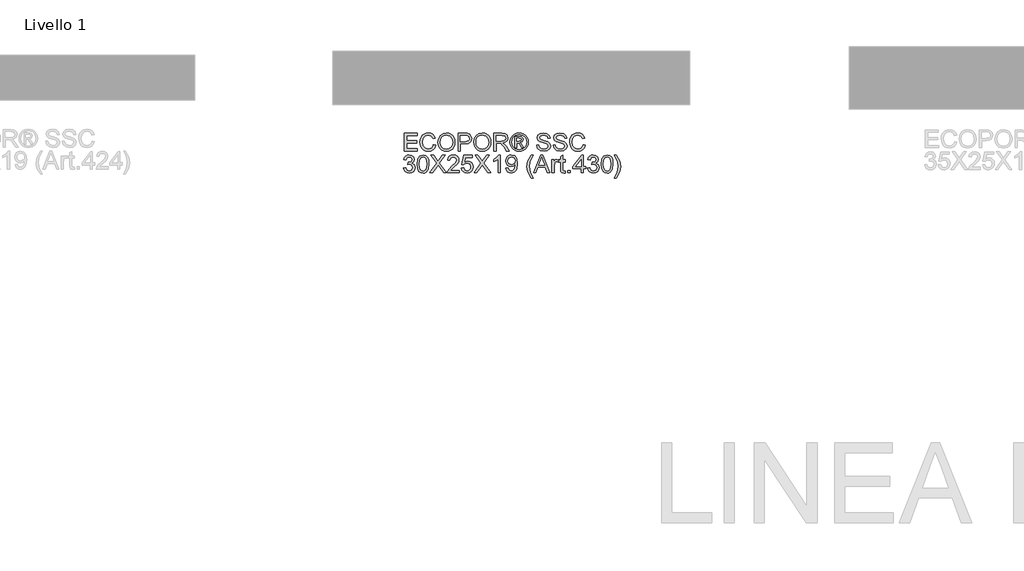
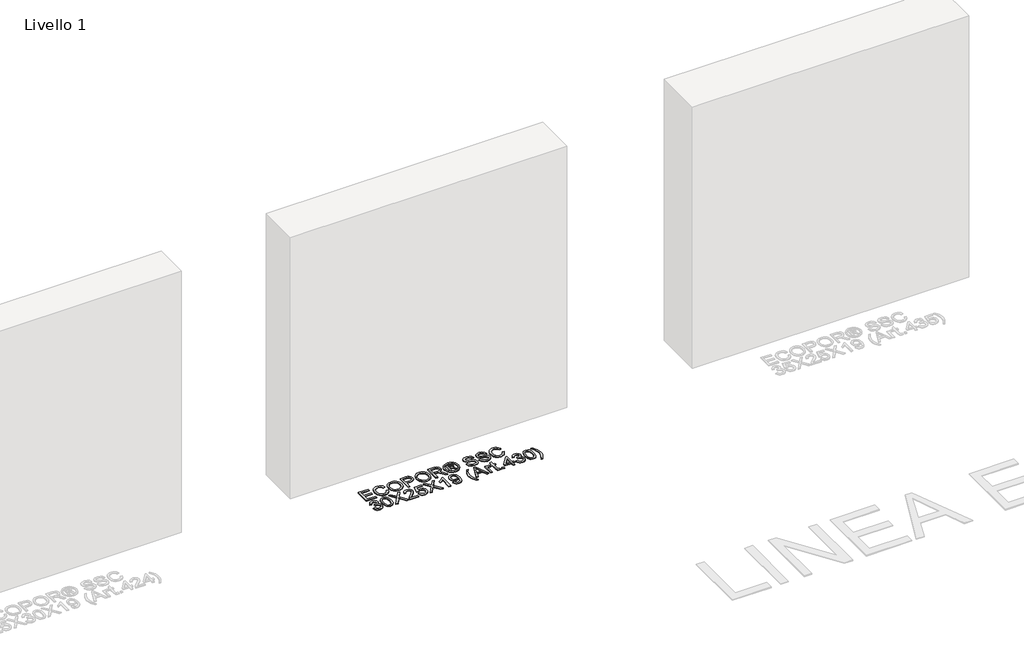
# One storey, part 5 of 10: 1 proxy.
"""IFC4 building model written with IfcOpenShell, lengths in millimetres."""

from ifc_helpers import new_model, si_unit, origin, origin_with_axes, place, context, project, spatial, polyline, outline, extrude, element, save

model = new_model("IFC4")

# Units and contexts
model_context = context("Model", 3, world=origin())
ifc_project = project(units=[si_unit("LENGTHUNIT", "METRE", prefix="MILLI")], contexts=[model_context])

# Site, building, storey
site = spatial("IfcSite", under=ifc_project)
building = spatial("IfcBuilding", under=site)
storey = spatial("IfcBuildingStorey", under=building, Name="Livello 1", Elevation=0.0)

# Proxy
placement = place(None, origin())
element("IfcBuildingElementProxy", 1, Name="100", ObjectType="100", at=placement, inside=storey, context=model_context, shape_type="SweptSolid", body=[
    extrude(outline(polyline([(-4574.6958048, 124.4367716), (-4574.6958048, 224.8930818), (-4502.4928319, 224.8930818), (-4502.4928319, 212.336043), (-4562.1387661, 212.336043), (-4562.1387661, 182.513076), (-4505.6320916, 182.513076), (-4505.6320916, 169.9560372), (-4562.1387661, 169.9560372), (-4562.1387661, 136.9938104), (-4500.9232021, 136.9938104), (-4500.9232021, 124.4367716), (-4574.6958048, 124.4367716)])), origin_with_axes(), (0.0, 0.0, 1.0), 5.0),
    extrude(outline(polyline([(-4411.4543008, 160.1458506), (-4398.8972621, 156.9084891), (-4404.6914035, 142.2759827), (-4413.7842201, 131.5859451), (-4425.7281223, 125.0468426), (-4440.0755201, 122.8671418), (-4454.6405814, 124.5164794), (-4466.2074045, 129.4644922), (-4475.0733605, 137.539502), (-4481.5358209, 148.5698305), (-4486.7965335, 175.4252162), (-4485.3096771, 190.073051), (-4480.8491079, 202.7220602), (-4473.6478178, 212.9706395), (-4463.9387988, 220.4171842), (-4452.4240924, 224.9513298), (-4439.8057399, 226.4627116), (-4426.0377563, 224.5068057), (-4414.6548742, 218.6390879), (-4406.012713, 209.2213088), (-4400.4668919, 196.6152191), (-4413.0239307, 193.6231122), (-4423.3246266, 209.0618933), (-4440.2962493, 213.9056729), (-4459.9411478, 208.5345957), (-4471.0389213, 194.1136215), (-4474.2394947, 175.4497416), (-4470.4503101, 153.8182803), (-4458.6535608, 139.99818), (-4441.3263189, 135.4241806), (-4430.8447477, 136.9815477), (-4422.110616, 141.653649), (-4415.5163312, 149.3914337), (-4411.4543008, 160.1458506)])), origin_with_axes(), (0.0, 0.0, 1.0), 5.0),
    extrude(outline(polyline([(-4386.3402233, 173.3405515), (-4382.9924972, 195.5544927), (-4372.9493187, 212.3605685), (-4357.6147709, 222.9371759), (-4338.3929366, 226.4627116), (-4325.2166298, 224.8072427), (-4313.4014864, 219.8408357), (-4303.5912999, 211.9129787), (-4296.4298637, 201.3731596), (-4292.0520679, 188.7302817), (-4290.5928027, 174.4932485), (-4292.12871, 160.0661429), (-4296.736432, 147.2454553), (-4304.161517, 136.6872421), (-4314.1495131, 129.0475593), (-4325.863489, 124.4122462), (-4338.466513, 122.8671418), (-4351.8451549, 124.5747274), (-4363.7277433, 129.6974842), (-4373.5134044, 137.772494), (-4380.6012642, 148.3368386), (-4386.3402233, 173.3405515)]), holes=[polyline([(-4373.7831845, 173.2179242), (-4371.2723899, 157.5032316), (-4363.7400061, 145.5286727), (-4352.4184377, 137.9503036), (-4338.5400894, 135.4241806), (-4324.459406, 137.9748291), (-4313.1194435, 145.6267746), (-4305.642242, 157.9692155), (-4303.1498415, 174.5913503), (-4307.4172726, 195.3153694), (-4319.8884722, 209.0373678), (-4338.3193602, 213.9056729), (-4351.8267608, 211.5604252), (-4363.3108104, 204.524682), (-4371.165091, 192.0074971), (-4373.7831845, 173.2179242)])]), origin_with_axes(), (0.0, 0.0, 1.0), 5.0),
    extrude(outline(polyline([(-4273.3268744, 124.4367716), (-4273.3268744, 224.8930818), (-4236.0972165, 224.8930818), (-4221.0876311, 223.9365886), (-4208.8862116, 219.2399618), (-4200.9767487, 209.5278771), (-4197.9846418, 195.8304042), (-4200.0049271, 183.9907353), (-4206.0657829, 174.1253665), (-4217.3996141, 167.4667023), (-4235.2388252, 165.2471476), (-4260.7698356, 165.2471476), (-4260.7698356, 124.4367716), (-4273.3268744, 124.4367716)]), holes=[polyline([(-4260.7698356, 177.8041864), (-4234.5030612, 177.8041864), (-4216.0108595, 182.4149741), (-4211.9089753, 187.9638608), (-4210.5416805, 195.3889458), (-4213.7667794, 205.7877435), (-4222.240328, 211.4776517), (-4234.7973668, 212.336043), (-4260.7698356, 212.336043), (-4260.7698356, 177.8041864)])]), origin_with_axes(), (0.0, 0.0, 1.0), 5.0),
    extrude(outline(polyline([(-4185.427603, 173.3405515), (-4182.0798769, 195.5544927), (-4172.0366984, 212.3605685), (-4156.7021506, 222.9371759), (-4137.4803163, 226.4627116), (-4124.3040095, 224.8072427), (-4112.4888661, 219.8408357), (-4102.6786796, 211.9129787), (-4095.5172434, 201.3731596), (-4091.1394476, 188.7302817), (-4089.6801824, 174.4932485), (-4091.2160897, 160.0661429), (-4095.8238117, 147.2454553), (-4103.2488967, 136.6872421), (-4113.2368928, 129.0475593), (-4124.9508687, 124.4122462), (-4137.5538927, 122.8671418), (-4150.9325346, 124.5747274), (-4162.815123, 129.6974842), (-4172.6007841, 137.772494), (-4179.6886439, 148.3368386), (-4185.427603, 173.3405515)]), holes=[polyline([(-4172.8705642, 173.2179242), (-4170.3597696, 157.5032316), (-4162.8273858, 145.5286727), (-4151.5058174, 137.9503036), (-4137.6274691, 135.4241806), (-4123.5467857, 137.9748291), (-4112.2068232, 145.6267746), (-4104.7296217, 157.9692155), (-4102.2372212, 174.5913503), (-4106.5046523, 195.3153694), (-4118.9758519, 209.0373678), (-4137.4067399, 213.9056729), (-4150.9141405, 211.5604252), (-4162.3981901, 204.524682), (-4170.2524707, 192.0074971), (-4172.8705642, 173.2179242)])]), origin_with_axes(), (0.0, 0.0, 1.0), 5.0),
    extrude(outline(polyline([(-4072.4142541, 124.4367716), (-4072.4142541, 224.8930818), (-4029.126806, 224.8930818), (-4009.0281863, 222.1830178), (-3998.0407774, 212.5935604), (-3993.9327618, 197.400034), (-3995.634216, 187.5040084), (-4000.7385787, 179.3002399), (-4009.399134, 173.2853692), (-4021.7691661, 169.9560372), (-4014.6322554, 164.5849601), (-4004.4541868, 151.6600393), (-3987.7032933, 124.4367716), (-4002.2959458, 124.4367716), (-4015.3680194, 145.2588926), (-4024.8103239, 159.0422047), (-4031.4444626, 165.553716), (-4037.4164136, 167.9449489), (-4044.7004771, 168.3864073), (-4059.8572153, 168.3864073), (-4059.8572153, 124.4367716), (-4072.4142541, 124.4367716)]), holes=[polyline([(-4059.8572153, 180.9434461), (-4031.7510309, 180.9434461), (-4017.4158958, 182.7215424), (-4009.273441, 188.4114506), (-4006.4898006, 196.9340502), (-4011.799564, 207.9950355), (-4028.5872457, 212.336043), (-4059.8572153, 212.336043), (-4059.8572153, 180.9434461)])]), origin_with_axes(), (0.0, 0.0, 1.0), 5.0),
    extrude(outline(polyline([(-3931.1230425, 226.4627116), (-3918.2287785, 224.7888486), (-3905.6410829, 219.7672593), (-3894.5831633, 211.6309359), (-3886.2782273, 200.6128701), (-3881.0818941, 187.8902844), (-3879.349783, 174.6404013), (-3881.0573686, 161.507014), (-3886.1801254, 148.8886616), (-3894.3838939, 137.9104497), (-3905.3345146, 129.6974842), (-3917.94367, 124.5747274), (-3931.1230425, 122.8671418), (-3944.2840209, 124.5747274), (-3956.8870449, 129.6974842), (-3967.8468626, 137.9104497), (-3976.0782223, 148.8886616), (-3981.2285702, 161.507014), (-3982.9453529, 174.6404013), (-3981.2040448, 187.8902844), (-3975.9801204, 200.6128701), (-3967.6475932, 211.6309359), (-3956.5804765, 219.7672593), (-3943.9989123, 224.7888486), (-3931.1230425, 226.4627116)]), holes=[polyline([(-3931.1230425, 217.0449326), (-3951.9451634, 211.5634908), (-3960.9736007, 204.901761), (-3967.8008774, 195.8794551), (-3973.5275738, 174.6404013), (-3967.911242, 153.5852884), (-3952.1904181, 137.9012527), (-3931.1230425, 132.2849209), (-3910.0434042, 137.9012527), (-3894.3593684, 153.5852884), (-3888.7675621, 174.6404013), (-3894.4574703, 195.8794551), (-3901.2663529, 204.901761), (-3910.3131843, 211.5634908), (-3931.1230425, 217.0449326)])]), origin_with_axes(), (0.0, 0.0, 1.0), 5.0),
    extrude(outline(polyline([(-3954.6920156, 143.2723298), (-3954.6920156, 206.0575236), (-3934.409455, 206.0575236), (-3919.3508186, 204.3284783), (-3911.9318651, 198.2952135), (-3909.1727501, 189.1349519), (-3913.9306906, 177.2155752), (-3926.5367803, 171.525667), (-3921.631687, 168.1902036), (-3913.0722992, 155.6576903), (-3906.0334904, 143.2723298), (-3916.6284919, 143.2723298), (-3922.1467218, 153.2296691), (-3931.3928226, 167.6506433), (-3939.4126501, 169.9560372), (-3945.2742366, 169.9560372), (-3945.2742366, 143.2723298), (-3954.6920156, 143.2723298)]), holes=[polyline([(-3945.2742366, 179.3738163), (-3933.3548599, 179.3738163), (-3921.7052634, 181.7650492), (-3918.5905292, 188.1048823), (-3920.0865826, 192.666619), (-3924.2436492, 195.6587259), (-3934.1151494, 196.6397446), (-3945.2742366, 196.6397446), (-3945.2742366, 179.3738163)])]), origin_with_axes(), (0.0, 0.0, 1.0), 5.0),
    extrude(outline(polyline([(-3833.8305175, 158.9686283), (-3821.2734787, 158.9686283), (-3817.2267768, 146.3993268), (-3807.3430138, 138.4530757), (-3792.2843775, 135.4241806), (-3779.163253, 137.7173117), (-3770.6897044, 144.0203565), (-3767.9060639, 152.4448542), (-3769.9907286, 160.2807407), (-3778.5255909, 165.9829116), (-3796.809326, 170.7776403), (-3816.4910128, 176.9703206), (-3827.1718534, 186.3145232), (-3830.6912578, 198.7979856), (-3826.3379875, 213.0104934), (-3813.6215332, 223.0414091), (-3795.0067043, 226.4627116), (-3775.1410765, 222.8819936), (-3761.8973247, 212.3605685), (-3756.918655, 196.6397446), (-3769.4756938, 196.6397446), (-3771.7810876, 204.1322745), (-3776.588079, 209.5401399), (-3794.5161949, 213.9056729), (-3812.4933618, 209.5891908), (-3818.134219, 199.1658676), (-3814.136568, 190.459327), (-3793.6332781, 183.4450437), (-3771.4132056, 177.1419988), (-3759.2608371, 166.9639303), (-3755.3490252, 152.7636853), (-3759.8494483, 137.7418371), (-3772.7988945, 126.7789537), (-3791.7938682, 122.8671418), (-3814.2224071, 127.085522), (-3828.4103894, 139.7897136), (-3833.8305175, 158.9686283)])), origin_with_axes(), (0.0, 0.0, 1.0), 5.0),
    extrude(outline(polyline([(-3741.2223566, 158.9686283), (-3728.6653178, 158.9686283), (-3724.6186159, 146.3993268), (-3714.7348529, 138.4530757), (-3699.6762166, 135.4241806), (-3686.5550921, 137.7173117), (-3678.0815435, 144.0203565), (-3675.297903, 152.4448542), (-3677.3825677, 160.2807407), (-3685.91743, 165.9829116), (-3704.2011651, 170.7776403), (-3723.8828519, 176.9703206), (-3734.5636925, 186.3145232), (-3738.0830969, 198.7979856), (-3733.7298266, 213.0104934), (-3721.0133723, 223.0414091), (-3702.3985433, 226.4627116), (-3682.5329156, 222.8819936), (-3669.2891638, 212.3605685), (-3664.3104941, 196.6397446), (-3676.8675329, 196.6397446), (-3679.1729267, 204.1322745), (-3683.9799181, 209.5401399), (-3701.908034, 213.9056729), (-3719.8852008, 209.5891908), (-3725.5260581, 199.1658676), (-3721.5284071, 190.459327), (-3701.0251172, 183.4450437), (-3678.8050447, 177.1419988), (-3666.6526761, 166.9639303), (-3662.7408643, 152.7636853), (-3667.2412873, 137.7418371), (-3680.1907336, 126.7789537), (-3699.1857073, 122.8671418), (-3721.6142462, 127.085522), (-3735.8022285, 139.7897136), (-3741.2223566, 158.9686283)])), origin_with_axes(), (0.0, 0.0, 1.0), 5.0),
    extrude(outline(polyline([(-3573.271963, 160.1458506), (-3560.7149243, 156.9084891), (-3566.5090657, 142.2759827), (-3575.6018823, 131.5859451), (-3587.5457844, 125.0468426), (-3601.8931823, 122.8671418), (-3616.4582436, 124.5164794), (-3628.0250667, 129.4644922), (-3636.8910227, 137.539502), (-3643.3534831, 148.5698305), (-3648.6141956, 175.4252162), (-3647.1273392, 190.073051), (-3642.6667701, 202.7220602), (-3635.46548, 212.9706395), (-3625.756461, 220.4171842), (-3614.2417546, 224.9513298), (-3601.6234021, 226.4627116), (-3587.8554185, 224.5068057), (-3576.4725364, 218.6390879), (-3567.8303752, 209.2213088), (-3562.2845541, 196.6152191), (-3574.8415929, 193.6231122), (-3585.1422887, 209.0618933), (-3602.1139115, 213.9056729), (-3621.75881, 208.5345957), (-3632.8565835, 194.1136215), (-3636.0571569, 175.4497416), (-3632.2679723, 153.8182803), (-3620.471223, 139.99818), (-3603.143981, 135.4241806), (-3592.6624099, 136.9815477), (-3583.9282782, 141.653649), (-3577.3339934, 149.3914337), (-3573.271963, 160.1458506)])), origin_with_axes(), (0.0, 0.0, 1.0), 5.0),
    extrude(outline(polyline([(-4579.4046944, 29.1456612), (-4566.8476556, 30.715291), (-4559.9192114, 17.4960647), (-4546.9575024, 13.4493627), (-4538.3490637, 14.8411829), (-4531.7026623, 19.0166436), (-4526.0372796, 32.7999557), (-4531.6536114, 45.7861901), (-4545.9274328, 50.9242753), (-4554.7320752, 49.5508492), (-4553.3341237, 62.107888), (-4551.3230354, 61.9607352), (-4537.0737395, 65.5659787), (-4532.3280617, 70.1399782), (-4530.7461691, 76.6514895), (-4535.3324314, 86.4739388), (-4547.1537061, 90.3612252), (-4559.1221337, 86.4371506), (-4565.2780258, 74.6649267), (-4577.8350645, 76.2345566), (-4574.1378505, 87.5101397), (-4567.5588941, 95.928506), (-4558.558048, 101.1708245), (-4547.5951645, 102.918264), (-4532.4506891, 99.4724359), (-4521.8556876, 90.0546569), (-4518.1891304, 77.3872535), (-4521.6717466, 65.8112334), (-4531.9724425, 57.4971003), (-4518.2872322, 48.9131871), (-4513.4802408, 32.5792265), (-4515.8837365, 20.3410188), (-4523.0942236, 10.1138993), (-4533.9773993, 3.1977178), (-4547.3989608, 0.892324), (-4559.5390666, 2.8604926), (-4569.4228296, 8.7649987), (-4576.2960915, 17.7965016), (-4579.4046944, 29.1456612)])), origin_with_axes(), (0.0, 0.0, 1.0), 5.0),
    extrude(outline(polyline([(-4502.4928319, 51.8807685), (-4498.8017492, 80.7840306), (-4487.8388658, 97.449085), (-4469.5306052, 102.918264), (-4454.8643763, 99.6809024), (-4444.7353587, 90.3489624), (-4438.8492468, 75.4865298), (-4436.5683784, 51.8807685), (-4440.2226729, 23.1001337), (-4451.1487681, 6.3982912), (-4459.3801278, 2.2688158), (-4469.5306052, 0.892324), (-4482.5781532, 3.2835569), (-4492.4864416, 10.4572558), (-4499.9912344, 27.4472726), (-4502.4928319, 51.8807685)]), holes=[polyline([(-4489.9357931, 51.905294), (-4488.4642652, 32.1530965), (-4484.0496812, 20.7211635), (-4477.4768562, 15.2673129), (-4469.5306052, 13.4493627), (-4461.5843541, 15.2734443), (-4455.0115291, 20.745689), (-4450.5969451, 32.1837533), (-4449.1254172, 51.905294), (-4450.5478942, 71.2129673), (-4454.8153253, 82.7338051), (-4461.3758876, 88.4543702), (-4469.6777579, 90.3612252), (-4477.5381699, 88.6812307), (-4483.8534775, 83.6412474), (-4488.4152142, 71.4030397), (-4489.9357931, 51.905294)])]), origin_with_axes(), (0.0, 0.0, 1.0), 5.0),
    extrude(outline(polyline([(-4431.8594888, 2.4619538), (-4393.1337775, 57.2027947), (-4425.5809695, 102.918264), (-4410.5223331, 102.918264), (-4392.2508607, 77.1910498), (-4386.0949686, 67.160134), (-4378.8844815, 77.362728), (-4360.8092128, 102.918264), (-4345.5298473, 102.918264), (-4377.9770393, 57.0556419), (-4339.2513279, 2.4619538), (-4354.3099643, 2.4619538), (-4380.1107549, 38.8577459), (-4385.481832, 46.4115895), (-4391.3924694, 38.1219819), (-4416.5801233, 2.4619538), (-4431.8594888, 2.4619538)])), origin_with_axes(), (0.0, 0.0, 1.0), 5.0),
    extrude(outline(polyline([(-4267.048355, 15.0189926), (-4267.048355, 2.4619538), (-4332.9728085, 2.4619538), (-4331.6239079, 11.1194434), (-4323.9964879, 24.4490344), (-4308.2756639, 39.0048987), (-4286.5951517, 59.9251214), (-4281.1750236, 74.1498919), (-4286.2885834, 85.6645984), (-4299.6426998, 90.3612252), (-4313.5609019, 85.774963), (-4318.8461399, 73.0952969), (-4331.4031787, 74.6649267), (-4328.3589552, 86.8111639), (-4321.7769332, 95.6832514), (-4312.0004691, 101.1095108), (-4299.3729196, 102.918264), (-4286.6533997, 100.9071757), (-4276.8953297, 94.873911), (-4270.6873211, 85.8608021), (-4268.6179849, 74.9101814), (-4270.8498023, 63.0030675), (-4278.2687559, 50.6912834), (-4296.2581854, 33.4866687), (-4310.7036851, 21.4078766), (-4316.3690678, 15.0189926), (-4267.048355, 15.0189926)])), origin_with_axes(), (0.0, 0.0, 1.0), 5.0),
    extrude(outline(polyline([(-4254.4913162, 29.1456612), (-4241.9342775, 30.715291), (-4235.6067072, 17.7781075), (-4222.4855827, 13.4493627), (-4213.4847365, 14.9546132), (-4206.7402333, 19.4703647), (-4202.5279844, 26.475451), (-4201.1239015, 35.448706), (-4206.384614, 50.3601896), (-4212.9911615, 54.4620738), (-4222.2893789, 55.8293686), (-4233.313576, 53.6466021), (-4240.3646476, 47.9812193), (-4252.9216864, 49.5508492), (-4241.9342775, 101.3486341), (-4193.2757522, 101.3486341), (-4193.2757522, 88.7915953), (-4231.7807344, 88.7915953), (-4237.1518115, 61.1268693), (-4228.1816222, 66.5715228), (-4218.7822372, 68.3864073), (-4207.0498673, 66.1361958), (-4197.3101915, 59.3855612), (-4190.7526949, 49.0971281), (-4188.5668627, 36.233521), (-4190.5350314, 23.6764822), (-4196.4395374, 12.9343279), (-4207.7457774, 3.9028249), (-4222.5346336, 0.892324), (-4234.8678775, 2.8267701), (-4244.6933924, 8.6301086), (-4251.4286986, 17.6278891), (-4254.4913162, 29.1456612)])), origin_with_axes(), (0.0, 0.0, 1.0), 5.0),
    extrude(outline(polyline([(-4183.8579732, 2.4619538), (-4145.1322618, 57.2027947), (-4177.5794538, 102.918264), (-4162.5208174, 102.918264), (-4144.249345, 77.1910498), (-4138.093453, 67.160134), (-4130.8829659, 77.362728), (-4112.8076972, 102.918264), (-4097.5283316, 102.918264), (-4129.9755236, 57.0556419), (-4091.2498122, 2.4619538), (-4106.3084486, 2.4619538), (-4132.1092392, 38.8577459), (-4137.4803163, 46.4115895), (-4143.3909537, 38.1219819), (-4168.5786076, 2.4619538), (-4183.8579732, 2.4619538)])), origin_with_axes(), (0.0, 0.0, 1.0), 5.0),
    extrude(outline(polyline([(-4036.3127676, 2.4619538), (-4048.8698064, 2.4619538), (-4048.8698064, 80.7472424), (-4060.7646576, 72.2736938), (-4073.9838839, 65.9338607), (-4073.9838839, 77.8041864), (-4055.5775214, 89.5518848), (-4044.4061715, 102.918264), (-4036.3127676, 102.918264), (-4036.3127676, 2.4619538)])), origin_with_axes(), (0.0, 0.0, 1.0), 5.0),
    extrude(outline(polyline([(-4004.9201707, 27.5760313), (-3992.3631319, 29.1456612), (-3986.7222747, 17.1649709), (-3976.0291714, 13.4493627), (-3965.8633656, 15.8405957), (-3958.9717095, 22.2294797), (-3954.8636939, 33.1433122), (-3953.0488094, 47.7114392), (-3953.1223858, 50.1639858), (-3963.1655643, 40.6481049), (-3976.9366136, 36.9938104), (-3988.3869407, 39.2256279), (-3997.9181501, 45.9210802), (-4004.3468879, 56.2646956), (-4006.4898006, 69.4410024), (-4004.2426547, 83.0526362), (-3997.5012171, 93.7212141), (-3987.3752652, 100.6190015), (-3974.9745763, 102.918264), (-3957.0832486, 97.6698142), (-3944.7714645, 82.7092797), (-3940.565347, 54.6030953), (-3944.7592018, 24.1056779), (-3949.973929, 14.114616), (-3957.2304014, 6.8274868), (-3966.2159191, 2.3761147), (-3976.6177825, 0.892324), (-3987.3538054, 2.6428291), (-3995.9193246, 7.8943446), (-4001.9096697, 16.3157766), (-4004.9201707, 27.5760313)]), holes=[polyline([(-3953.1223858, 69.735308), (-3954.4774178, 78.2456448), (-3958.5425139, 84.7939443), (-3964.8516901, 88.969405), (-3972.9389626, 90.3612252), (-3981.3266721, 88.8621061), (-3988.0466499, 84.3647487), (-3992.4612338, 77.4822897), (-3993.9327618, 68.8278657), (-3992.5409416, 61.0686213), (-3988.3654809, 54.9096636), (-3981.81105, 50.8905528), (-3973.2823191, 49.5508492), (-3958.8000312, 54.9096636), (-3954.5417972, 61.2954819), (-3953.1223858, 69.735308)])]), origin_with_axes(), (0.0, 0.0, 1.0), 5.0),
    extrude(outline(polyline([(-3862.0838547, -25.7913834), (-3879.9138687, 3.6637017), (-3885.3769164, 20.8437908), (-3887.1979323, 38.6370167), (-3881.7532787, 69.1712223), (-3862.0838547, 102.918264), (-3852.6660756, 102.918264), (-3864.413774, 83.0281107), (-3871.4771083, 63.7510942), (-3874.6408935, 38.5634403), (-3869.147189, 6.3737657), (-3852.6660756, -25.7913834), (-3862.0838547, -25.7913834)])), origin_with_axes(), (0.0, 0.0, 1.0), 5.0),
    extrude(outline(polyline([(-3850.2380545, 2.4619538), (-3810.138917, 102.918264), (-3799.4458137, 102.918264), (-3759.3466762, 2.4619538), (-3772.6149535, 2.4619538), (-3784.1173972, 33.8545507), (-3825.4918589, 33.8545507), (-3836.9697772, 2.4619538), (-3850.2380545, 2.4619538)]), holes=[polyline([(-3820.8810713, 46.4115895), (-3788.7036594, 46.4115895), (-3797.7535565, 71.1087341), (-3804.7923653, 90.3612252), (-3811.0463593, 73.2669751), (-3820.8810713, 46.4115895)])]), origin_with_axes(), (0.0, 0.0, 1.0), 5.0),
    extrude(outline(polyline([(-3747.500876, 2.4619538), (-3747.500876, 76.2345566), (-3736.513467, 76.2345566), (-3736.513467, 65.320724), (-3728.7143687, 75.3761652), (-3720.8662195, 77.8041864), (-3708.2601298, 73.9291627), (-3712.4539845, 62.6719737), (-3721.2831524, 65.2471476), (-3728.3832749, 62.7700755), (-3732.9082235, 55.902945), (-3734.9438372, 41.2367161), (-3734.9438372, 2.4619538), (-3747.500876, 2.4619538)])), origin_with_axes(), (0.0, 0.0, 1.0), 5.0),
    extrude(outline(polyline([(-3673.7282732, 12.9343279), (-3672.1586433, 2.0940718), (-3681.5518969, 0.892324), (-3692.073322, 2.9769886), (-3697.3217718, 8.4461676), (-3698.8423507, 22.6954635), (-3698.8423507, 63.6775178), (-3708.2601298, 63.6775178), (-3708.2601298, 76.2345566), (-3698.8423507, 76.2345566), (-3698.8423507, 94.1626725), (-3686.285312, 101.5448378), (-3686.285312, 76.2345566), (-3673.7282732, 76.2345566), (-3673.7282732, 63.6775178), (-3686.285312, 63.6775178), (-3686.285312, 23.0633455), (-3685.6231244, 16.5886224), (-3683.4771461, 14.2954913), (-3679.1974522, 13.4493627), (-3673.7282732, 12.9343279)])), origin_with_axes(), (0.0, 0.0, 1.0), 5.0),
    extrude(outline(polyline([(-3658.0319747, 2.4619538), (-3658.0319747, 15.0189926), (-3645.474936, 15.0189926), (-3645.474936, 2.4619538), (-3658.0319747, 2.4619538)])), origin_with_axes(), (0.0, 0.0, 1.0), 5.0),
    extrude(outline(polyline([(-3584.259372, 2.4619538), (-3584.259372, 26.0064015), (-3629.7786375, 26.0064015), (-3629.7786375, 38.5634403), (-3581.1201123, 101.3486341), (-3571.7023332, 101.3486341), (-3571.7023332, 38.5634403), (-3559.1452944, 38.5634403), (-3559.1452944, 26.0064015), (-3571.7023332, 26.0064015), (-3571.7023332, 2.4619538), (-3584.259372, 2.4619538)]), holes=[polyline([(-3584.259372, 38.5634403), (-3584.259372, 77.362728), (-3614.3275937, 38.5634403), (-3584.259372, 38.5634403)])]), origin_with_axes(), (0.0, 0.0, 1.0), 5.0),
    extrude(outline(polyline([(-3548.1578855, 29.1456612), (-3535.6008467, 30.715291), (-3528.6724025, 17.4960647), (-3515.7106935, 13.4493627), (-3507.1022548, 14.8411829), (-3500.4558535, 19.0166436), (-3494.7904707, 32.7999557), (-3500.4068025, 45.7861901), (-3514.6806239, 50.9242753), (-3523.4852664, 49.5508492), (-3522.0873148, 62.107888), (-3520.0762265, 61.9607352), (-3505.8269306, 65.5659787), (-3501.0812528, 70.1399782), (-3499.4993603, 76.6514895), (-3504.0856225, 86.4739388), (-3515.9068973, 90.3612252), (-3527.8753248, 86.4371506), (-3534.0312169, 74.6649267), (-3546.5882557, 76.2345566), (-3542.8910416, 87.5101397), (-3536.3120853, 95.928506), (-3527.3112391, 101.1708245), (-3516.3483556, 102.918264), (-3501.2038802, 99.4724359), (-3490.6088787, 90.0546569), (-3486.9423215, 77.3872535), (-3490.4249377, 65.8112334), (-3500.7256336, 57.4971003), (-3487.0404234, 48.9131871), (-3482.233432, 32.5792265), (-3484.6369277, 20.3410188), (-3491.8474148, 10.1138993), (-3502.7305905, 3.1977178), (-3516.1521519, 0.892324), (-3528.2922578, 2.8604926), (-3538.1760207, 8.7649987), (-3545.0492826, 17.7965016), (-3548.1578855, 29.1456612)])), origin_with_axes(), (0.0, 0.0, 1.0), 5.0),
    extrude(outline(polyline([(-3471.246023, 51.8807685), (-3467.5549404, 80.7840306), (-3456.5920569, 97.449085), (-3438.2837963, 102.918264), (-3423.6175674, 99.6809024), (-3413.4885498, 90.3489624), (-3407.6024379, 75.4865298), (-3405.3215695, 51.8807685), (-3408.975864, 23.1001337), (-3419.9019592, 6.3982912), (-3428.1333189, 2.2688158), (-3438.2837963, 0.892324), (-3451.3313444, 3.2835569), (-3461.2396328, 10.4572558), (-3468.7444255, 27.4472726), (-3471.246023, 51.8807685)]), holes=[polyline([(-3458.6889843, 51.905294), (-3457.2174563, 32.1530965), (-3452.8028723, 20.7211635), (-3446.2300474, 15.2673129), (-3438.2837963, 13.4493627), (-3430.3375452, 15.2734443), (-3423.7647202, 20.745689), (-3419.3501363, 32.1837533), (-3417.8786083, 51.905294), (-3419.3010853, 71.2129673), (-3423.5685165, 82.7338051), (-3430.1290787, 88.4543702), (-3438.4309491, 90.3612252), (-3446.291361, 88.6812307), (-3452.6066686, 83.6412474), (-3457.1684054, 71.4030397), (-3458.6889843, 51.905294)])]), origin_with_axes(), (0.0, 0.0, 1.0), 5.0),
    extrude(outline(polyline([(-3388.0556412, -25.7913834), (-3397.4734203, -25.7913834), (-3380.9923069, 6.3737657), (-3375.4986024, 38.5634403), (-3378.6623876, 63.530365), (-3385.6521455, 82.831907), (-3397.4734203, 102.918264), (-3388.0556412, 102.918264), (-3368.3862172, 69.1712223), (-3362.9415637, 38.6370167), (-3364.7717766, 20.8437908), (-3370.2624154, 3.6637017), (-3388.0556412, -25.7913834)])), origin_with_axes(), (0.0, 0.0, 1.0), 5.0),
])

save(model, "model.ifc")
